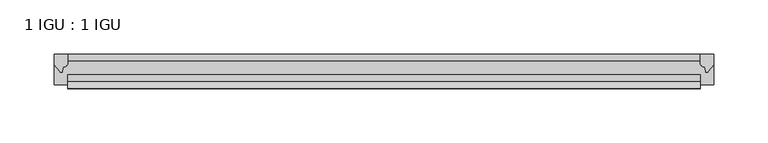
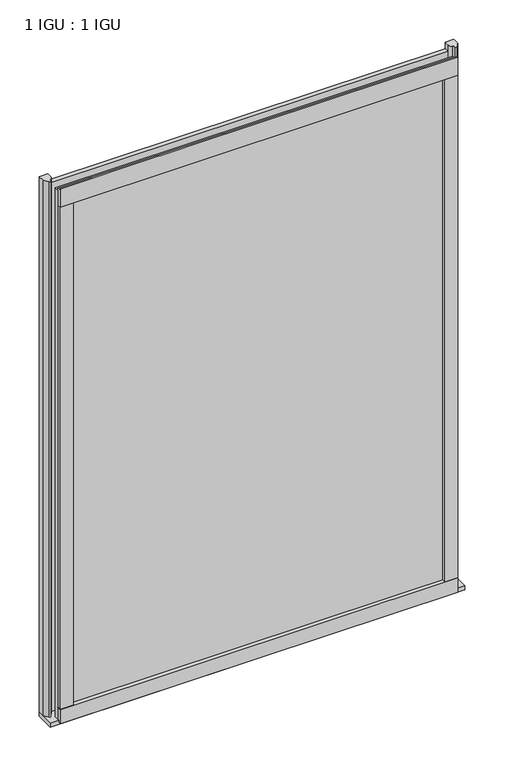
"""IFC4 building model written with IfcOpenShell, lengths in millimetres: plate geometry, 1 IGU : 1 IGU."""

import ifcopenshell
import ifcopenshell.guid

model = None  # the IFC model being written
_history = None  # IfcOwnerHistory: only IFC2X3 demands one
_inside = {}  # id of a spatial element -> (the spatial element, [elements in it])
_under = {}  # id of a project, library or spatial element -> (it, [spatial elements below it])
_declared = {}  # id of a project -> (the project, [libraries it declares])
_typed = {}  # id of a type object -> (the type object, [elements of that type])
_made_of = {}  # id of a material, layer set ... -> (it, [elements and type objects made of it])


def new_model(schema):
    """Start an empty IFC model of exactly this schema.

    Asked for "IFC4X3", IfcOpenShell would pick the latest addendum, in which some entities
    have other attributes; the version numbers below select the first issue.
    IFC2X3 requires an IfcOwnerHistory on every rooted entity: one is made here for all.
    """
    global model, _history
    if schema == "IFC4X3":
        model = ifcopenshell.file(schema_version=(4, 3, 0, 0))
    else:
        model = ifcopenshell.file(schema=schema)
    _inside.clear()
    _under.clear()
    _declared.clear()
    _typed.clear()
    _made_of.clear()
    _history = None
    if model.schema == "IFC2X3":
        org = make("IfcOrganization", Name="unknown")
        user = make(
            "IfcPersonAndOrganization",
            ThePerson=make("IfcPerson", FamilyName="unknown"),
            TheOrganization=org,
        )
        app = make(
            "IfcApplication",
            ApplicationDeveloper=org,
            Version="unknown",
            ApplicationFullName="unknown",
            ApplicationIdentifier="unknown",
        )
        _history = make(
            "IfcOwnerHistory",
            OwningUser=user,
            OwningApplication=app,
            ChangeAction="ADDED",
            CreationDate=0,
        )
    return model


def make(cls, **values):
    """One entity of the class cls with the attributes given. An attribute that is None is left unset."""
    return model.create_entity(
        cls, **{name: value for name, value in values.items() if value is not None}
    )


def rooted(cls, **values):
    """An entity with a GlobalId (a new one), such as an element, a storey or a relation."""
    return make(cls, GlobalId=ifcopenshell.guid.new(), OwnerHistory=_history, **values)


def si_unit(unit_type, name, prefix=None):
    """IfcSIUnit, for example si_unit("LENGTHUNIT", "METRE", prefix="MILLI")."""
    return make("IfcSIUnit", UnitType=unit_type, Prefix=prefix, Name=name)


def assignment(units):
    """IfcUnitAssignment: the units of a project."""
    return None if units is None else make("IfcUnitAssignment", Units=units)


def point(xyz):
    """IfcCartesianPoint."""
    return None if xyz is None else make("IfcCartesianPoint", Coordinates=xyz)


def direction(xyz):
    """IfcDirection."""
    return None if xyz is None else make("IfcDirection", DirectionRatios=xyz)


def frame(location, z_axis=None, x_axis=None):
    """IfcAxis2Placement3D, a coordinate frame: its origin and axes. An axis left out is left unset."""
    return make(
        "IfcAxis2Placement3D",
        Location=point(location),
        Axis=direction(z_axis),
        RefDirection=direction(x_axis),
    )


def frame_2d(location, x_axis=None):
    """IfcAxis2Placement2D, a coordinate frame in the plane: its origin and x axis."""
    return make(
        "IfcAxis2Placement2D", Location=point(location), RefDirection=direction(x_axis)
    )


def origin():
    """The frame at (0, 0, 0) with its axes left unset."""
    return frame((0.0, 0.0, 0.0))


def place(relative_to, where):
    """IfcLocalPlacement: puts the frame where relative to a parent placement (None: the world)."""
    return make(
        "IfcLocalPlacement", PlacementRelTo=relative_to, RelativePlacement=where
    )


def context(
    kind, dimensions, precision=None, world=None, true_north=None, identifier=None
):
    """IfcGeometricRepresentationContext, for example the 3D "Model" context."""
    return make(
        "IfcGeometricRepresentationContext",
        ContextIdentifier=identifier,
        ContextType=kind,
        CoordinateSpaceDimension=dimensions,
        Precision=precision,
        WorldCoordinateSystem=world,
        TrueNorth=true_north,
    )


def project(units=None, contexts=None):
    """IfcProject with its units and contexts."""
    return rooted(
        "IfcProject",
        Name="project",
        RepresentationContexts=contexts,
        UnitsInContext=assignment(units),
    )


def spatial(cls, under=None, at=None, **own):
    """A site, building, storey or space (cls), placed at a placement, below another one or the project."""
    s = rooted(cls, ObjectPlacement=at, **own)
    if under is not None:
        _under.setdefault(under.id(), (under, []))[1].append(s)
    return s


def polyline(points):
    """IfcPolyline through the points."""
    return make("IfcPolyline", Points=[point(p) for p in points])


def circle_curve(where, radius):
    """IfcCircle in the frame where."""
    return make("IfcCircle", Position=where, Radius=radius)


def trimmed(basis, trim1, trim2, sense, master):
    """IfcTrimmedCurve: the piece of a basis curve between two trims."""
    return make(
        "IfcTrimmedCurve",
        BasisCurve=basis,
        Trim1=trim1,
        Trim2=trim2,
        SenseAgreement=sense,
        MasterRepresentation=master,
    )


def segment(curve, same_sense, transition):
    """IfcCompositeCurveSegment."""
    return make(
        "IfcCompositeCurveSegment",
        Transition=transition,
        SameSense=same_sense,
        ParentCurve=curve,
    )


def composite_curve(segments, self_intersect=None):
    """IfcCompositeCurve: segments joined end to end."""
    return make("IfcCompositeCurve", Segments=segments, SelfIntersect=self_intersect)


def outline(outer, holes=None, kind="AREA"):
    """IfcArbitraryClosedProfileDef: a profile drawn as a closed curve; with holes, ...WithVoids."""
    if holes is None:
        return make("IfcArbitraryClosedProfileDef", ProfileType=kind, OuterCurve=outer)
    return make(
        "IfcArbitraryProfileDefWithVoids",
        ProfileType=kind,
        OuterCurve=outer,
        InnerCurves=holes,
    )


def extrude(swept, where, along, depth):
    """IfcExtrudedAreaSolid: the profile swept, set in the frame where, extruded along a direction by depth."""
    return make(
        "IfcExtrudedAreaSolid",
        SweptArea=swept,
        Position=where,
        ExtrudedDirection=direction(along),
        Depth=depth,
    )


def shape(context_of_items, identifier, shape_type, items):
    """IfcShapeRepresentation: the items that make up one representation, for example the "Body"."""
    return make(
        "IfcShapeRepresentation",
        ContextOfItems=context_of_items,
        RepresentationIdentifier=identifier,
        RepresentationType=shape_type,
        Items=items,
    )


def source(mapping_origin, context_of_items, identifier, shape_type, items):
    """IfcRepresentationMap: a shape defined once, which mapped items show again and again."""
    return make(
        "IfcRepresentationMap",
        MappingOrigin=mapping_origin,
        MappedRepresentation=shape(context_of_items, identifier, shape_type, items),
    )


def transform(
    local_origin,
    x_axis=None,
    y_axis=None,
    z_axis=None,
    scale=None,
    scale2=None,
    scale3=None,
    uniform=True,
):
    """IfcCartesianTransformationOperator3D, or its non-uniform kind. x_axis, y_axis, z_axis: its Axis1, 2, 3."""
    if uniform:
        return make(
            "IfcCartesianTransformationOperator3D",
            Axis1=direction(x_axis),
            Axis2=direction(y_axis),
            LocalOrigin=point(local_origin),
            Scale=scale,
            Axis3=direction(z_axis),
        )
    return make(
        "IfcCartesianTransformationOperator3DnonUniform",
        Axis1=direction(x_axis),
        Axis2=direction(y_axis),
        LocalOrigin=point(local_origin),
        Scale=scale,
        Axis3=direction(z_axis),
        Scale2=scale2,
        Scale3=scale3,
    )


def mapped(mapping_source, mapping_target):
    """IfcMappedItem: shows the shape of a source again, moved by a transform."""
    return make(
        "IfcMappedItem", MappingSource=mapping_source, MappingTarget=mapping_target
    )


def made_of(thing, what):
    """Note that an element or type object is made of a material, layer set ...; save() writes the relation."""
    if what is not None:
        _made_of.setdefault(what.id(), (what, []))[1].append(thing)
    return thing


def element(
    cls,
    number,
    at=None,
    inside=None,
    cuts=None,
    type_object=None,
    material=None,
    context=None,
    identifier="Body",
    shape_type=None,
    held_by="IfcProductDefinitionShape",
    body=None,
    shapes=None,
    **own,
):
    """One element of the class cls, such as IfcWall. Its Tag is "e" and its number.

    at: its placement. inside: the storey or other place that contains it. cuts: it is an
    opening in that element (IfcRelVoidsElement). A single representation is given by context,
    identifier, shape_type and body (its items); several are given by shapes. held_by: the class
    of the entity that holds the representations. save() writes the other relations.
    """
    e = rooted(cls, Tag="e%d" % number, ObjectPlacement=at, **own)
    if body is not None:
        shapes = [shape(context, identifier, shape_type, body)]
    if shapes is not None:
        e.Representation = make(held_by, Representations=shapes)
    if inside is not None:
        _inside.setdefault(inside.id(), (inside, []))[1].append(e)
    if cuts is not None:
        rooted(
            "IfcRelVoidsElement", RelatingBuildingElement=cuts, RelatedOpeningElement=e
        )
    if type_object is not None:
        _typed.setdefault(type_object.id(), (type_object, []))[1].append(e)
    return made_of(e, material)


def aggregate(whole, parts):
    """IfcRelAggregates: a whole, such as a stair, and the parts it consists of."""
    return rooted("IfcRelAggregates", RelatingObject=whole, RelatedObjects=parts)


def save(model, path):
    """Write the relations noted so far, then the file.

    IfcRelAggregates (storeys below a building ...), IfcRelContainedInSpatialStructure (elements
    in a storey), IfcRelDefinesByType, IfcRelAssociatesMaterial and IfcRelDeclares: one each for
    every whole, place, type object, material and project.
    """
    for whole, parts in _under.values():
        aggregate(whole, parts)
    for where, things in _inside.values():
        rooted(
            "IfcRelContainedInSpatialStructure",
            RelatedElements=things,
            RelatingStructure=where,
        )
    for kind, things in _typed.values():
        rooted("IfcRelDefinesByType", RelatedObjects=things, RelatingType=kind)
    for what, things in _made_of.values():
        rooted("IfcRelAssociatesMaterial", RelatedObjects=things, RelatingMaterial=what)
    for by, libraries in _declared.values():
        rooted("IfcRelDeclares", RelatingContext=by, RelatedDefinitions=libraries)
    model.write(path)


def plate_1_igu_1_igu_9408e345(model_context):
    return source(origin(), model_context, "Body", "SweptSolid", [
        extrude(outline(polyline([(292.1, 0.0021347), (292.1, -6.2992), (-292.1, -6.2992), (-292.1, 0.0021347), (292.1, 0.0021347)])), frame((0.0, 0.0, -19.05), z_axis=(0.0, 0.0, 1.0), x_axis=(1.0, 0.0, 0.0)), (0.0, 0.0, 1.0), 822.3250001),
        extrude(outline(polyline([(-292.1, -19.0986653), (292.1, -19.0986653), (292.1, -25.3978653), (-292.1, -25.3978653), (-292.1, -19.0986653)])), frame((0.0, 0.0, -19.05), z_axis=(0.0, 0.0, 1.0), x_axis=(1.0, 0.0, 0.0)), (0.0, 0.0, 1.0), 822.3250001),
        extrude(outline(composite_curve([segment(trimmed(circle_curve(frame_2d((10.9021792, -22.6833935)), 11.4916952), [point((0.0, -19.05))], [point((-0.2638007, -25.4))], True, "CARTESIAN"), True, "CONTINUOUS"), segment(polyline([(-0.2638007, -25.4), (-27.9952564, -25.4), (-27.9952564, -19.05), (0.0, -19.05)]), True, "CONTINUOUS")], self_intersect=False)), frame((-304.8, 0.0, 0.0), z_axis=(1.0, 0.0, 0.0), x_axis=(0.0, 1.0, 0.0)), (0.0, 0.0, 1.0), 609.6),
        extrude(outline(composite_curve([segment(polyline([(304.8, 0.0), (304.8, -9.7395025), (299.2337691, -16.3730781)]), True, "CONTINUOUS"), segment(trimmed(circle_curve(frame_2d((298.2800941, -15.7728374)), 1.1268473), [point((299.2337691, -16.3730781))], [point((297.1791412, -16.0130197))], False, "CARTESIAN"), True, "CONTINUOUS"), segment(polyline([(297.1791412, -16.0130197), (296.1989498, -11.7377885)]), True, "CONTINUOUS"), segment(trimmed(circle_curve(frame_2d((296.0714979, -7.7683362)), 3.9714979), [point((296.1989498, -11.7377885))], [point((292.1001786, -7.8060014))], False, "CARTESIAN"), True, "CONTINUOUS"), segment(polyline([(292.1001786, -7.8060014), (292.1001786, 0.0), (304.8, 0.0)]), True, "CONTINUOUS")], self_intersect=False)), frame((0.0, 0.0, -19.05), z_axis=(0.0, 0.0, 1.0), x_axis=(1.0, 0.0, 0.0)), (0.0, 0.0, 1.0), 832.6374001),
        extrude(outline(composite_curve([segment(polyline([(-292.1, 8.8e-06), (-292.1, -7.7683362)]), True, "CONTINUOUS"), segment(trimmed(circle_curve(frame_2d((-296.0714979, -7.7683362)), 3.9714979), [point((-292.1, -7.7683362))], [point((-296.1989498, -11.7377885))], False, "CARTESIAN"), True, "CONTINUOUS"), segment(polyline([(-296.1989498, -11.7377885), (-297.1789843, -16.012436)]), True, "CONTINUOUS"), segment(trimmed(circle_curve(frame_2d((-298.2801933, -15.7723555)), 1.1270758), [point((-297.1789843, -16.012436))], [point((-299.2340327, -16.372764))], False, "CARTESIAN"), True, "CONTINUOUS"), segment(polyline([(-299.2340327, -16.372764), (-304.8, -9.7395025), (-304.8, 8.8e-06), (-292.1, 8.8e-06)]), True, "CONTINUOUS")], self_intersect=False)), frame((0.0, 0.0, -19.05), z_axis=(0.0, 0.0, 1.0), x_axis=(1.0, 0.0, 0.0)), (0.0, 0.0, 1.0), 832.6374001),
        extrude(outline(composite_curve([segment(polyline([(-31.75, 0.0), (-25.4, 0.0), (-25.4, -22.225)]), True, "CONTINUOUS"), segment(trimmed(circle_curve(frame_2d((-28.575, -28.9113452)), 7.4018806), [point((-25.4, -22.225))], [point((-31.75, -22.225))], True, "CARTESIAN"), True, "CONTINUOUS"), segment(polyline([(-31.75, -22.225), (-31.75, 0.0)]), True, "CONTINUOUS")], self_intersect=False)), frame((-292.1, 0.0, 0.0), z_axis=(1.0, 0.0, 0.0), x_axis=(0.0, 1.0, 0.0)), (0.0, 0.0, 1.0), 584.2),
        extrude(outline(composite_curve([segment(polyline([(-25.4, 806.4500001), (-25.4, 781.0500001), (-31.75, 781.0500001), (-31.75, 809.2228974)]), True, "CONTINUOUS"), segment(trimmed(circle_curve(frame_2d((-24.1401272, 817.9924116)), 11.6109665), [point((-31.75, 809.2228974))], [point((-25.4, 806.4500001))], True, "CARTESIAN"), True, "CONTINUOUS")], self_intersect=False)), frame((-292.1, 0.0, 0.0), z_axis=(1.0, 0.0, 0.0), x_axis=(0.0, 1.0, 0.0)), (0.0, 0.0, 1.0), 584.2),
        extrude(outline(composite_curve([segment(polyline([(273.05, -25.4), (292.1, -25.4)]), True, "CONTINUOUS"), segment(trimmed(circle_curve(frame_2d((301.5661507, -28.575)), 9.9844196), [point((292.1, -25.4))], [point((292.1, -31.75))], True, "CARTESIAN"), True, "CONTINUOUS"), segment(polyline([(292.1, -31.75), (273.05, -31.75), (273.05, -25.4)]), True, "CONTINUOUS")], self_intersect=False)), frame((0.0, 0.0, -19.05), z_axis=(0.0, 0.0, 1.0), x_axis=(1.0, 0.0, 0.0)), (0.0, 0.0, 1.0), 822.3250001),
        extrude(outline(composite_curve([segment(trimmed(circle_curve(frame_2d((-301.5661507, -28.575)), 9.9844196), [point((-292.1, -31.75))], [point((-292.1, -25.4))], True, "CARTESIAN"), True, "CONTINUOUS"), segment(polyline([(-292.1, -25.4), (-273.05, -25.4), (-273.05, -31.75), (-292.1, -31.75)]), True, "CONTINUOUS")], self_intersect=False)), frame((0.0, 0.0, -19.05), z_axis=(0.0, 0.0, 1.0), x_axis=(1.0, 0.0, 0.0)), (0.0, 0.0, 1.0), 822.3250001),
    ])


if __name__ == "__main__":
    model = new_model("IFC4")
    model_context = context("Model", 3, world=origin())
    ifc_project = project(units=[si_unit("LENGTHUNIT", "METRE", prefix="MILLI")], contexts=[model_context])
    site = spatial("IfcSite", under=ifc_project)
    building = spatial("IfcBuilding", under=site)
    placement = place(None, origin())
    plate_1_igu_1_igu_shape = plate_1_igu_1_igu_9408e345(model_context)
    element("IfcPlate", 1, ObjectType="1 IGU : 1 IGU", at=placement, inside=building, context=model_context, shape_type="MappedRepresentation", body=[
        mapped(plate_1_igu_1_igu_shape, transform((0.0, 0.0, 0.0), x_axis=(1.0, 0.0, 0.0), y_axis=(0.0, 1.0, 0.0), z_axis=(0.0, 0.0, 1.0))),
    ])
    save(model, "model.ifc")
